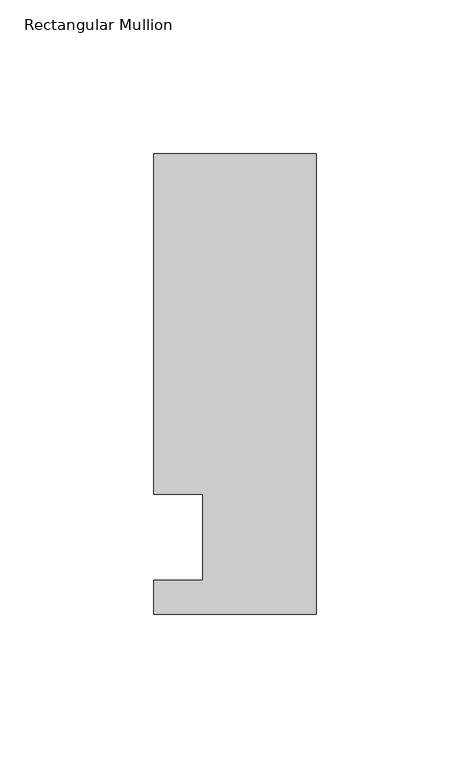
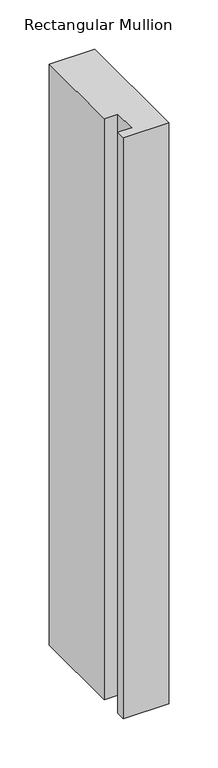
"""IFC4 building model written with IfcOpenShell, lengths in millimetres: member geometry, Rectangular Mullion."""

from ifc_helpers import new_model, si_unit, frame, origin, place, context, project, spatial, polyline, outline, extrude, source, transform, mapped, element, save


def rectangular_mullion_e50264a7(model_context):
    return source(origin(), model_context, "Body", "SweptSolid", [
        extrude(outline(polyline([(-37.0, 14.0), (-53.0, 14.0), (-53.0, 125.0), (0.0, 125.0), (0.0, -25.0), (-53.0, -25.0), (-53.0, -14.0), (-37.0, -14.0), (-37.0, 14.0)])), frame((0.0, 0.0, -718.958673), z_axis=(0.0, 0.0, 1.0), x_axis=(1.0, 0.0, 0.0)), (0.0, 0.0, 1.0), 718.958673),
    ])


if __name__ == "__main__":
    model = new_model("IFC4")
    model_context = context("Model", 3, world=origin())
    ifc_project = project(units=[si_unit("LENGTHUNIT", "METRE", prefix="MILLI")], contexts=[model_context])
    site = spatial("IfcSite", under=ifc_project)
    building = spatial("IfcBuilding", under=site)
    placement = place(None, origin())
    rectangular_mullion_shape = rectangular_mullion_e50264a7(model_context)
    element("IfcMember", 1, ObjectType="Rectangular Mullion", at=placement, inside=building, context=model_context, shape_type="MappedRepresentation", body=[
        mapped(rectangular_mullion_shape, transform((0.0, 0.0, 0.0), x_axis=(1.0, 0.0, 0.0), y_axis=(0.0, 1.0, 0.0), z_axis=(0.0, 0.0, 1.0))),
    ])
    save(model, "model.ifc")
